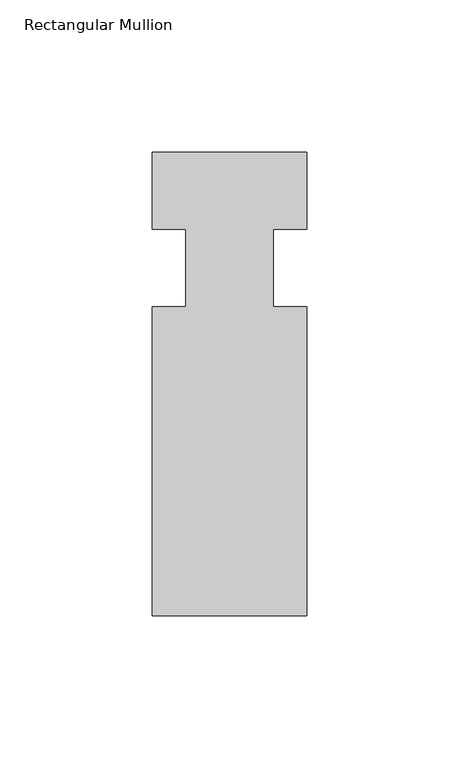
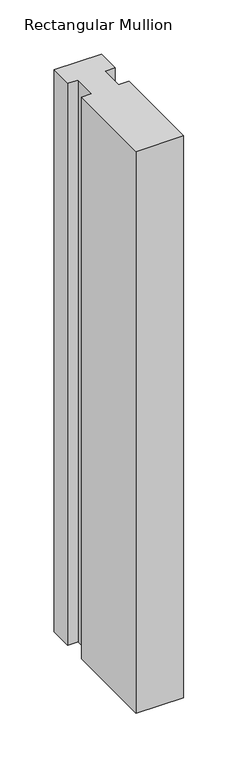
"""IFC4 building model written with IfcOpenShell, lengths in millimetres: member geometry, Rectangular Mullion."""

from ifc_helpers import new_model, si_unit, frame, origin, place, context, project, spatial, polyline, outline, extrude, source, transform, mapped, element, save


def rectangular_mullion_44806186(model_context):
    return source(origin(), model_context, "Body", "SweptSolid", [
        extrude(outline(polyline([(-25.4, 0.0), (25.4, 0.0), (25.4, -25.4), (14.398625, -25.4), (14.398625, -50.8), (25.4, -50.8), (25.4, -152.4), (-25.4, -152.4), (-25.4, -50.8), (-14.398625, -50.8), (-14.398625, -25.4), (-25.4, -25.4), (-25.4, 0.0)])), frame((0.0, 0.0, -635.0), z_axis=(0.0, 0.0, 1.0), x_axis=(1.0, 0.0, 0.0)), (0.0, 0.0, 1.0), 635.0),
    ])


if __name__ == "__main__":
    model = new_model("IFC4")
    model_context = context("Model", 3, world=origin())
    ifc_project = project(units=[si_unit("LENGTHUNIT", "METRE", prefix="MILLI")], contexts=[model_context])
    site = spatial("IfcSite", under=ifc_project)
    building = spatial("IfcBuilding", under=site)
    placement = place(None, origin())
    rectangular_mullion_shape = rectangular_mullion_44806186(model_context)
    element("IfcMember", 1, ObjectType="Rectangular Mullion", at=placement, inside=building, context=model_context, shape_type="MappedRepresentation", body=[
        mapped(rectangular_mullion_shape, transform((0.0, 0.0, 0.0), x_axis=(1.0, 0.0, 0.0), y_axis=(0.0, 1.0, 0.0), z_axis=(0.0, 0.0, 1.0))),
    ])
    save(model, "model.ifc")
